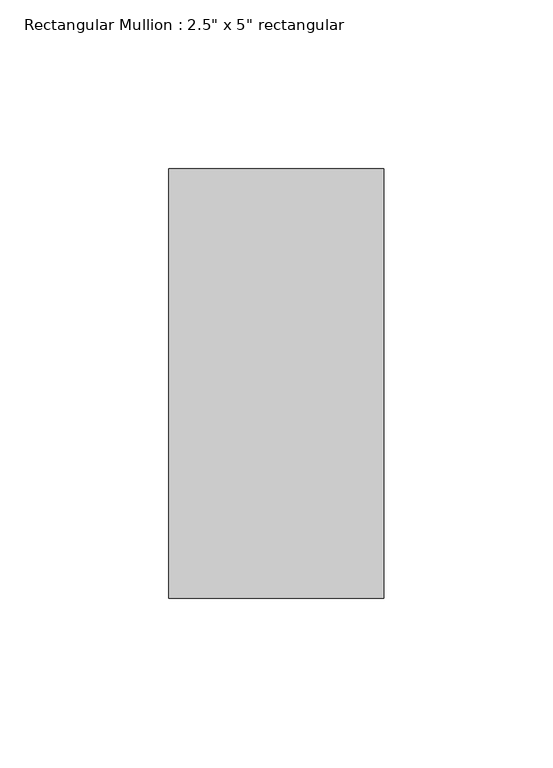
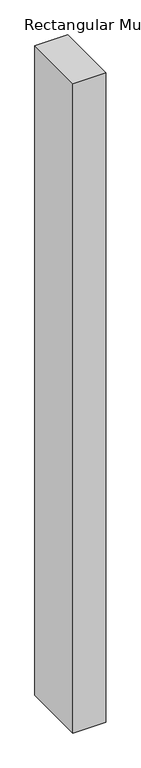
"""IFC4 building model written with IfcOpenShell, lengths in millimetres: member geometry."""

import ifcopenshell
import ifcopenshell.guid

model = None  # the IFC model being written
_history = None  # IfcOwnerHistory: only IFC2X3 demands one
_inside = {}  # id of a spatial element -> (the spatial element, [elements in it])
_under = {}  # id of a project, library or spatial element -> (it, [spatial elements below it])
_declared = {}  # id of a project -> (the project, [libraries it declares])
_typed = {}  # id of a type object -> (the type object, [elements of that type])
_made_of = {}  # id of a material, layer set ... -> (it, [elements and type objects made of it])


def new_model(schema):
    """Start an empty IFC model of exactly this schema.

    Asked for "IFC4X3", IfcOpenShell would pick the latest addendum, in which some entities
    have other attributes; the version numbers below select the first issue.
    IFC2X3 requires an IfcOwnerHistory on every rooted entity: one is made here for all.
    """
    global model, _history
    if schema == "IFC4X3":
        model = ifcopenshell.file(schema_version=(4, 3, 0, 0))
    else:
        model = ifcopenshell.file(schema=schema)
    _inside.clear()
    _under.clear()
    _declared.clear()
    _typed.clear()
    _made_of.clear()
    _history = None
    if model.schema == "IFC2X3":
        org = make("IfcOrganization", Name="unknown")
        user = make(
            "IfcPersonAndOrganization",
            ThePerson=make("IfcPerson", FamilyName="unknown"),
            TheOrganization=org,
        )
        app = make(
            "IfcApplication",
            ApplicationDeveloper=org,
            Version="unknown",
            ApplicationFullName="unknown",
            ApplicationIdentifier="unknown",
        )
        _history = make(
            "IfcOwnerHistory",
            OwningUser=user,
            OwningApplication=app,
            ChangeAction="ADDED",
            CreationDate=0,
        )
    return model


def make(cls, **values):
    """One entity of the class cls with the attributes given. An attribute that is None is left unset."""
    return model.create_entity(
        cls, **{name: value for name, value in values.items() if value is not None}
    )


def rooted(cls, **values):
    """An entity with a GlobalId (a new one), such as an element, a storey or a relation."""
    return make(cls, GlobalId=ifcopenshell.guid.new(), OwnerHistory=_history, **values)


def si_unit(unit_type, name, prefix=None):
    """IfcSIUnit, for example si_unit("LENGTHUNIT", "METRE", prefix="MILLI")."""
    return make("IfcSIUnit", UnitType=unit_type, Prefix=prefix, Name=name)


def assignment(units):
    """IfcUnitAssignment: the units of a project."""
    return None if units is None else make("IfcUnitAssignment", Units=units)


def point(xyz):
    """IfcCartesianPoint."""
    return None if xyz is None else make("IfcCartesianPoint", Coordinates=xyz)


def direction(xyz):
    """IfcDirection."""
    return None if xyz is None else make("IfcDirection", DirectionRatios=xyz)


def frame(location, z_axis=None, x_axis=None):
    """IfcAxis2Placement3D, a coordinate frame: its origin and axes. An axis left out is left unset."""
    return make(
        "IfcAxis2Placement3D",
        Location=point(location),
        Axis=direction(z_axis),
        RefDirection=direction(x_axis),
    )


def origin():
    """The frame at (0, 0, 0) with its axes left unset."""
    return frame((0.0, 0.0, 0.0))


def place(relative_to, where):
    """IfcLocalPlacement: puts the frame where relative to a parent placement (None: the world)."""
    return make(
        "IfcLocalPlacement", PlacementRelTo=relative_to, RelativePlacement=where
    )


def context(
    kind, dimensions, precision=None, world=None, true_north=None, identifier=None
):
    """IfcGeometricRepresentationContext, for example the 3D "Model" context."""
    return make(
        "IfcGeometricRepresentationContext",
        ContextIdentifier=identifier,
        ContextType=kind,
        CoordinateSpaceDimension=dimensions,
        Precision=precision,
        WorldCoordinateSystem=world,
        TrueNorth=true_north,
    )


def project(units=None, contexts=None):
    """IfcProject with its units and contexts."""
    return rooted(
        "IfcProject",
        Name="project",
        RepresentationContexts=contexts,
        UnitsInContext=assignment(units),
    )


def spatial(cls, under=None, at=None, **own):
    """A site, building, storey or space (cls), placed at a placement, below another one or the project."""
    s = rooted(cls, ObjectPlacement=at, **own)
    if under is not None:
        _under.setdefault(under.id(), (under, []))[1].append(s)
    return s


def polyline(points):
    """IfcPolyline through the points."""
    return make("IfcPolyline", Points=[point(p) for p in points])


def outline(outer, holes=None, kind="AREA"):
    """IfcArbitraryClosedProfileDef: a profile drawn as a closed curve; with holes, ...WithVoids."""
    if holes is None:
        return make("IfcArbitraryClosedProfileDef", ProfileType=kind, OuterCurve=outer)
    return make(
        "IfcArbitraryProfileDefWithVoids",
        ProfileType=kind,
        OuterCurve=outer,
        InnerCurves=holes,
    )


def extrude(swept, where, along, depth):
    """IfcExtrudedAreaSolid: the profile swept, set in the frame where, extruded along a direction by depth."""
    return make(
        "IfcExtrudedAreaSolid",
        SweptArea=swept,
        Position=where,
        ExtrudedDirection=direction(along),
        Depth=depth,
    )


def shape(context_of_items, identifier, shape_type, items):
    """IfcShapeRepresentation: the items that make up one representation, for example the "Body"."""
    return make(
        "IfcShapeRepresentation",
        ContextOfItems=context_of_items,
        RepresentationIdentifier=identifier,
        RepresentationType=shape_type,
        Items=items,
    )


def source(mapping_origin, context_of_items, identifier, shape_type, items):
    """IfcRepresentationMap: a shape defined once, which mapped items show again and again."""
    return make(
        "IfcRepresentationMap",
        MappingOrigin=mapping_origin,
        MappedRepresentation=shape(context_of_items, identifier, shape_type, items),
    )


def transform(
    local_origin,
    x_axis=None,
    y_axis=None,
    z_axis=None,
    scale=None,
    scale2=None,
    scale3=None,
    uniform=True,
):
    """IfcCartesianTransformationOperator3D, or its non-uniform kind. x_axis, y_axis, z_axis: its Axis1, 2, 3."""
    if uniform:
        return make(
            "IfcCartesianTransformationOperator3D",
            Axis1=direction(x_axis),
            Axis2=direction(y_axis),
            LocalOrigin=point(local_origin),
            Scale=scale,
            Axis3=direction(z_axis),
        )
    return make(
        "IfcCartesianTransformationOperator3DnonUniform",
        Axis1=direction(x_axis),
        Axis2=direction(y_axis),
        LocalOrigin=point(local_origin),
        Scale=scale,
        Axis3=direction(z_axis),
        Scale2=scale2,
        Scale3=scale3,
    )


def mapped(mapping_source, mapping_target):
    """IfcMappedItem: shows the shape of a source again, moved by a transform."""
    return make(
        "IfcMappedItem", MappingSource=mapping_source, MappingTarget=mapping_target
    )


def made_of(thing, what):
    """Note that an element or type object is made of a material, layer set ...; save() writes the relation."""
    if what is not None:
        _made_of.setdefault(what.id(), (what, []))[1].append(thing)
    return thing


def element(
    cls,
    number,
    at=None,
    inside=None,
    cuts=None,
    type_object=None,
    material=None,
    context=None,
    identifier="Body",
    shape_type=None,
    held_by="IfcProductDefinitionShape",
    body=None,
    shapes=None,
    **own,
):
    """One element of the class cls, such as IfcWall. Its Tag is "e" and its number.

    at: its placement. inside: the storey or other place that contains it. cuts: it is an
    opening in that element (IfcRelVoidsElement). A single representation is given by context,
    identifier, shape_type and body (its items); several are given by shapes. held_by: the class
    of the entity that holds the representations. save() writes the other relations.
    """
    e = rooted(cls, Tag="e%d" % number, ObjectPlacement=at, **own)
    if body is not None:
        shapes = [shape(context, identifier, shape_type, body)]
    if shapes is not None:
        e.Representation = make(held_by, Representations=shapes)
    if inside is not None:
        _inside.setdefault(inside.id(), (inside, []))[1].append(e)
    if cuts is not None:
        rooted(
            "IfcRelVoidsElement", RelatingBuildingElement=cuts, RelatedOpeningElement=e
        )
    if type_object is not None:
        _typed.setdefault(type_object.id(), (type_object, []))[1].append(e)
    return made_of(e, material)


def aggregate(whole, parts):
    """IfcRelAggregates: a whole, such as a stair, and the parts it consists of."""
    return rooted("IfcRelAggregates", RelatingObject=whole, RelatedObjects=parts)


def save(model, path):
    """Write the relations noted so far, then the file.

    IfcRelAggregates (storeys below a building ...), IfcRelContainedInSpatialStructure (elements
    in a storey), IfcRelDefinesByType, IfcRelAssociatesMaterial and IfcRelDeclares: one each for
    every whole, place, type object, material and project.
    """
    for whole, parts in _under.values():
        aggregate(whole, parts)
    for where, things in _inside.values():
        rooted(
            "IfcRelContainedInSpatialStructure",
            RelatedElements=things,
            RelatingStructure=where,
        )
    for kind, things in _typed.values():
        rooted("IfcRelDefinesByType", RelatedObjects=things, RelatingType=kind)
    for what, things in _made_of.values():
        rooted("IfcRelAssociatesMaterial", RelatedObjects=things, RelatingMaterial=what)
    for by, libraries in _declared.values():
        rooted("IfcRelDeclares", RelatingContext=by, RelatedDefinitions=libraries)
    model.write(path)


def member_479d8007(model_context):
    return source(origin(), model_context, "Body", "SweptSolid", [
        extrude(outline(polyline([(31.75, 63.5), (31.75, -63.5), (-31.75, -63.5), (-31.75, 63.5), (31.75, 63.5)])), frame((0.0, 0.0, -1323.1666667), z_axis=(0.0, 0.0, 1.0), x_axis=(1.0, 0.0, 0.0)), (0.0, 0.0, 1.0), 1323.1666667),
    ])


if __name__ == "__main__":
    model = new_model("IFC4")
    model_context = context("Model", 3, world=origin())
    ifc_project = project(units=[si_unit("LENGTHUNIT", "METRE", prefix="MILLI")], contexts=[model_context])
    site = spatial("IfcSite", under=ifc_project)
    building = spatial("IfcBuilding", under=site)
    placement = place(None, origin())
    member_shape = member_479d8007(model_context)
    element("IfcMember", 1, ObjectType="Rectangular Mullion : 2.5\" x 5\" rectangular", at=placement, inside=building, context=model_context, shape_type="MappedRepresentation", body=[
        mapped(member_shape, transform((0.0, 0.0, 0.0), x_axis=(1.0, 0.0, 0.0), y_axis=(0.0, 1.0, 0.0), z_axis=(0.0, 0.0, 1.0))),
    ])
    save(model, "model.ifc")
